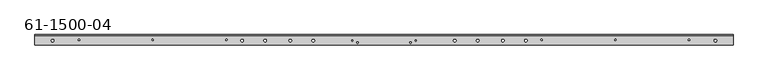
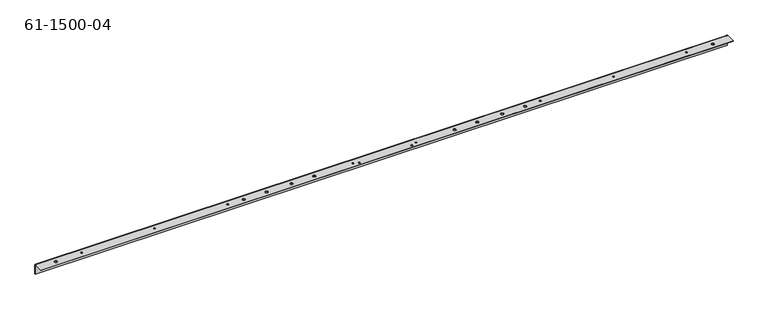
"""IFC4 building model written with IfcOpenShell, lengths in millimetres: proxy geometry, 61-1500-04."""

import ifcopenshell
import ifcopenshell.guid

model = None  # the IFC model being written
_history = None  # IfcOwnerHistory: only IFC2X3 demands one
_inside = {}  # id of a spatial element -> (the spatial element, [elements in it])
_under = {}  # id of a project, library or spatial element -> (it, [spatial elements below it])
_declared = {}  # id of a project -> (the project, [libraries it declares])
_typed = {}  # id of a type object -> (the type object, [elements of that type])
_made_of = {}  # id of a material, layer set ... -> (it, [elements and type objects made of it])


def new_model(schema):
    """Start an empty IFC model of exactly this schema.

    Asked for "IFC4X3", IfcOpenShell would pick the latest addendum, in which some entities
    have other attributes; the version numbers below select the first issue.
    IFC2X3 requires an IfcOwnerHistory on every rooted entity: one is made here for all.
    """
    global model, _history
    if schema == "IFC4X3":
        model = ifcopenshell.file(schema_version=(4, 3, 0, 0))
    else:
        model = ifcopenshell.file(schema=schema)
    _inside.clear()
    _under.clear()
    _declared.clear()
    _typed.clear()
    _made_of.clear()
    _history = None
    if model.schema == "IFC2X3":
        org = make("IfcOrganization", Name="unknown")
        user = make(
            "IfcPersonAndOrganization",
            ThePerson=make("IfcPerson", FamilyName="unknown"),
            TheOrganization=org,
        )
        app = make(
            "IfcApplication",
            ApplicationDeveloper=org,
            Version="unknown",
            ApplicationFullName="unknown",
            ApplicationIdentifier="unknown",
        )
        _history = make(
            "IfcOwnerHistory",
            OwningUser=user,
            OwningApplication=app,
            ChangeAction="ADDED",
            CreationDate=0,
        )
    return model


def make(cls, **values):
    """One entity of the class cls with the attributes given. An attribute that is None is left unset."""
    return model.create_entity(
        cls, **{name: value for name, value in values.items() if value is not None}
    )


def rooted(cls, **values):
    """An entity with a GlobalId (a new one), such as an element, a storey or a relation."""
    return make(cls, GlobalId=ifcopenshell.guid.new(), OwnerHistory=_history, **values)


def si_unit(unit_type, name, prefix=None):
    """IfcSIUnit, for example si_unit("LENGTHUNIT", "METRE", prefix="MILLI")."""
    return make("IfcSIUnit", UnitType=unit_type, Prefix=prefix, Name=name)


def assignment(units):
    """IfcUnitAssignment: the units of a project."""
    return None if units is None else make("IfcUnitAssignment", Units=units)


def point(xyz):
    """IfcCartesianPoint."""
    return None if xyz is None else make("IfcCartesianPoint", Coordinates=xyz)


def direction(xyz):
    """IfcDirection."""
    return None if xyz is None else make("IfcDirection", DirectionRatios=xyz)


def frame(location, z_axis=None, x_axis=None):
    """IfcAxis2Placement3D, a coordinate frame: its origin and axes. An axis left out is left unset."""
    return make(
        "IfcAxis2Placement3D",
        Location=point(location),
        Axis=direction(z_axis),
        RefDirection=direction(x_axis),
    )


def origin():
    """The frame at (0, 0, 0) with its axes left unset."""
    return frame((0.0, 0.0, 0.0))


def place(relative_to, where):
    """IfcLocalPlacement: puts the frame where relative to a parent placement (None: the world)."""
    return make(
        "IfcLocalPlacement", PlacementRelTo=relative_to, RelativePlacement=where
    )


def context(
    kind, dimensions, precision=None, world=None, true_north=None, identifier=None
):
    """IfcGeometricRepresentationContext, for example the 3D "Model" context."""
    return make(
        "IfcGeometricRepresentationContext",
        ContextIdentifier=identifier,
        ContextType=kind,
        CoordinateSpaceDimension=dimensions,
        Precision=precision,
        WorldCoordinateSystem=world,
        TrueNorth=true_north,
    )


def project(units=None, contexts=None):
    """IfcProject with its units and contexts."""
    return rooted(
        "IfcProject",
        Name="project",
        RepresentationContexts=contexts,
        UnitsInContext=assignment(units),
    )


def spatial(cls, under=None, at=None, **own):
    """A site, building, storey or space (cls), placed at a placement, below another one or the project."""
    s = rooted(cls, ObjectPlacement=at, **own)
    if under is not None:
        _under.setdefault(under.id(), (under, []))[1].append(s)
    return s


def polyline(points):
    """IfcPolyline through the points."""
    return make("IfcPolyline", Points=[point(p) for p in points])


def circle_curve(where, radius):
    """IfcCircle in the frame where."""
    return make("IfcCircle", Position=where, Radius=radius)


def shape(context_of_items, identifier, shape_type, items):
    """IfcShapeRepresentation: the items that make up one representation, for example the "Body"."""
    return make(
        "IfcShapeRepresentation",
        ContextOfItems=context_of_items,
        RepresentationIdentifier=identifier,
        RepresentationType=shape_type,
        Items=items,
    )


def source(mapping_origin, context_of_items, identifier, shape_type, items):
    """IfcRepresentationMap: a shape defined once, which mapped items show again and again."""
    return make(
        "IfcRepresentationMap",
        MappingOrigin=mapping_origin,
        MappedRepresentation=shape(context_of_items, identifier, shape_type, items),
    )


def transform(
    local_origin,
    x_axis=None,
    y_axis=None,
    z_axis=None,
    scale=None,
    scale2=None,
    scale3=None,
    uniform=True,
):
    """IfcCartesianTransformationOperator3D, or its non-uniform kind. x_axis, y_axis, z_axis: its Axis1, 2, 3."""
    if uniform:
        return make(
            "IfcCartesianTransformationOperator3D",
            Axis1=direction(x_axis),
            Axis2=direction(y_axis),
            LocalOrigin=point(local_origin),
            Scale=scale,
            Axis3=direction(z_axis),
        )
    return make(
        "IfcCartesianTransformationOperator3DnonUniform",
        Axis1=direction(x_axis),
        Axis2=direction(y_axis),
        LocalOrigin=point(local_origin),
        Scale=scale,
        Axis3=direction(z_axis),
        Scale2=scale2,
        Scale3=scale3,
    )


def mapped(mapping_source, mapping_target):
    """IfcMappedItem: shows the shape of a source again, moved by a transform."""
    return make(
        "IfcMappedItem", MappingSource=mapping_source, MappingTarget=mapping_target
    )


def made_of(thing, what):
    """Note that an element or type object is made of a material, layer set ...; save() writes the relation."""
    if what is not None:
        _made_of.setdefault(what.id(), (what, []))[1].append(thing)
    return thing


def element(
    cls,
    number,
    at=None,
    inside=None,
    cuts=None,
    type_object=None,
    material=None,
    context=None,
    identifier="Body",
    shape_type=None,
    held_by="IfcProductDefinitionShape",
    body=None,
    shapes=None,
    **own,
):
    """One element of the class cls, such as IfcWall. Its Tag is "e" and its number.

    at: its placement. inside: the storey or other place that contains it. cuts: it is an
    opening in that element (IfcRelVoidsElement). A single representation is given by context,
    identifier, shape_type and body (its items); several are given by shapes. held_by: the class
    of the entity that holds the representations. save() writes the other relations.
    """
    e = rooted(cls, Tag="e%d" % number, ObjectPlacement=at, **own)
    if body is not None:
        shapes = [shape(context, identifier, shape_type, body)]
    if shapes is not None:
        e.Representation = make(held_by, Representations=shapes)
    if inside is not None:
        _inside.setdefault(inside.id(), (inside, []))[1].append(e)
    if cuts is not None:
        rooted(
            "IfcRelVoidsElement", RelatingBuildingElement=cuts, RelatedOpeningElement=e
        )
    if type_object is not None:
        _typed.setdefault(type_object.id(), (type_object, []))[1].append(e)
    return made_of(e, material)


def aggregate(whole, parts):
    """IfcRelAggregates: a whole, such as a stair, and the parts it consists of."""
    return rooted("IfcRelAggregates", RelatingObject=whole, RelatedObjects=parts)


def save(model, path):
    """Write the relations noted so far, then the file.

    IfcRelAggregates (storeys below a building ...), IfcRelContainedInSpatialStructure (elements
    in a storey), IfcRelDefinesByType, IfcRelAssociatesMaterial and IfcRelDeclares: one each for
    every whole, place, type object, material and project.
    """
    for whole, parts in _under.values():
        aggregate(whole, parts)
    for where, things in _inside.values():
        rooted(
            "IfcRelContainedInSpatialStructure",
            RelatedElements=things,
            RelatingStructure=where,
        )
    for kind, things in _typed.values():
        rooted("IfcRelDefinesByType", RelatedObjects=things, RelatingType=kind)
    for what, things in _made_of.values():
        rooted("IfcRelAssociatesMaterial", RelatedObjects=things, RelatingMaterial=what)
    for by, libraries in _declared.values():
        rooted("IfcRelDeclares", RelatingContext=by, RelatedDefinitions=libraries)
    model.write(path)


def plane_surface(at):
    """IfcPlane: the flat surface through the origin of the frame at, square to its z axis."""
    return make("IfcPlane", Position=at)


def cylinder_surface(at, radius):
    """IfcCylindricalSurface: all points at the distance radius from the z axis of the frame at."""
    return make("IfcCylindricalSurface", Position=at, Radius=radius)


def revolved_surface(curve, axis_point, axis_direction):
    """IfcSurfaceOfRevolution: the curve turned about the line through axis_point along axis_direction."""
    return make(
        "IfcSurfaceOfRevolution",
        SweptCurve=make("IfcArbitraryOpenProfileDef", ProfileType="CURVE", Curve=curve),
        AxisPosition=make("IfcAxis1Placement", Location=point(axis_point), Axis=direction(axis_direction)),
    )


def advanced_brep(points, edges, surfaces, faces):
    """IfcAdvancedBrep: a solid bounded by faces that lie on surfaces and meet in shared edges.

    An edge is (start, end): straight between two places in points (the first is 0);
    or (start, end, curve); or (start, end, curve, False) where it runs against its curve.
    A face is (place in surfaces, loops), or (place, loops, False) where it looks against
    its surface's normal. A loop lists edges by number (the first is 1), with a minus sign
    where the edge is run from its end to its start. The first loop is the outer one.
    """
    corners = [point(p) for p in points]
    vertices = [make("IfcVertexPoint", VertexGeometry=c) for c in corners]
    made = []
    for start, end, *more in edges:
        made.append(
            make(
                "IfcEdgeCurve",
                EdgeStart=vertices[start],
                EdgeEnd=vertices[end],
                EdgeGeometry=more[0] if more else make("IfcPolyline", Points=[corners[start], corners[end]]),
                SameSense=more[1] if len(more) > 1 else True,
            )
        )
    hull = []
    for where, loops, *sense in faces:
        bounds = []
        for j, loop in enumerate(loops):
            ring = [make("IfcOrientedEdge", EdgeElement=made[abs(k) - 1], Orientation=k > 0) for k in loop]
            bounds.append(
                make(
                    "IfcFaceOuterBound" if j == 0 else "IfcFaceBound",
                    Bound=make("IfcEdgeLoop", EdgeList=ring),
                    Orientation=True,
                )
            )
        hull.append(make("IfcAdvancedFace", Bounds=bounds, FaceSurface=surfaces[where], SameSense=sense[0] if sense else True))
    return make("IfcAdvancedBrep", Outer=make("IfcClosedShell", CfsFaces=hull))


def proxy_61_1500_04_b52d226b(model_context):
    return source(origin(), model_context, "Body", "AdvancedBrep", [
        advanced_brep(
        [(298.0674392, 36.3599542, 1.00584), (298.0674392, 36.3599542, 0.0), (304.4174392, 36.3599542, 0.0), (304.4174392, 36.3599542, 1.00584), (810.7105592, 36.3599542, 1.00584), (810.7105592, 36.3599542, 0.0), (817.0605592, 36.3599542, 0.0), (817.0605592, 36.3599542, 1.00584), (866.1536792, 36.3599542, 1.00584), (866.1536792, 36.3599542, 0.0), (872.5036792, 36.3599542, 0.0), (872.5036792, 36.3599542, 1.00584), (353.5105592, 36.3599542, 1.00584), (353.5105592, 36.3599542, 0.0), (359.8605592, 36.3599542, 0.0), (359.8605592, 36.3599542, 1.00584), (182.0199192, 36.3599542, 1.00584), (182.0199192, 36.3599542, 0.0), (188.3699192, 36.3599542, 0.0), (188.3699192, 36.3599542, 1.00584), (694.6630392, 36.3599542, 1.00584), (694.6630392, 36.3599542, 0.0), (701.0130392, 36.3599542, 0.0), (701.0130392, 36.3599542, 1.00584), (750.1061592, 36.3599542, 1.00584), (750.1061592, 36.3599542, 0.0), (756.4561592, 36.3599542, 0.0), (756.4561592, 36.3599542, 1.00584), (237.4630392, 36.3599542, 1.00584), (237.4630392, 36.3599542, 0.0), (243.8130392, 36.3599542, 0.0), (243.8130392, 36.3599542, 1.00584), (-275.1800808, 36.3599542, 1.00584), (-275.1800808, 36.3599542, 0.0), (-268.8300808, 36.3599542, 0.0), (-268.8300808, 36.3599542, 1.00584), (1323.3536792, 36.3599542, 1.00584), (1323.3536792, 36.3599542, 0.0), (1329.7036792, 36.3599542, 0.0), (1329.7036792, 36.3599542, 1.00584), (461.6002592, 31.7168342, 1.00584), (461.6002592, 31.7168342, 0.0), (465.0292592, 31.7168342, 0.0), (465.0292592, 31.7168342, 1.00584), (448.9002592, 36.3599542, 1.00584), (448.9002592, 36.3599542, 0.0), (452.3292592, 36.3599542, 0.0), (452.3292592, 36.3599542, 1.00584), (589.4943392, 31.7168342, 1.00584), (589.4943392, 31.7168342, 0.0), (592.9233392, 31.7168342, 0.0), (592.9233392, 31.7168342, 1.00584), (602.1943392, 36.3599542, 1.00584), (602.1943392, 36.3599542, 0.0), (605.6233392, 36.3599542, 0.0), (605.6233392, 36.3599542, 1.00584), (1290.9762992, 49.7609942, -11.69416), (1290.9762992, 50.7668342, -11.69416), (1287.5472992, 50.7668342, -11.69416), (1287.5472992, 49.7609942, -11.69416), (986.1762992, 49.7609942, -11.69416), (986.1762992, 50.7668342, -11.69416), (982.7472992, 50.7668342, -11.69416), (982.7472992, 49.7609942, -11.69416), (681.3762992, 49.7609942, -11.69416), (681.3762992, 50.7668342, -11.69416), (677.9472992, 50.7668342, -11.69416), (677.9472992, 49.7609942, -11.69416), (-80.6237008, 49.7609942, -11.69416), (-80.6237008, 50.7668342, -11.69416), (-84.0527008, 50.7668342, -11.69416), (-84.0527008, 49.7609942, -11.69416), (224.1762992, 49.7609942, -11.69416), (224.1762992, 50.7668342, -11.69416), (220.7472992, 50.7668342, -11.69416), (220.7472992, 49.7609942, -11.69416), (528.9762992, 49.7609942, -11.69416), (528.9762992, 50.7668342, -11.69416), (525.5472992, 50.7668342, -11.69416), (525.5472992, 49.7609942, -11.69416), (376.5762992, 49.7609942, -11.69416), (376.5762992, 50.7668342, -11.69416), (373.1472992, 50.7668342, -11.69416), (373.1472992, 49.7609942, -11.69416), (71.7762992, 49.7609942, -11.69416), (71.7762992, 50.7668342, -11.69416), (68.3472992, 50.7668342, -11.69416), (68.3472992, 49.7609942, -11.69416), (-233.0237008, 49.7609942, -11.69416), (-233.0237008, 50.7668342, -11.69416), (-236.4527008, 50.7668342, -11.69416), (-236.4527008, 49.7609942, -11.69416), (833.7762992, 49.7609942, -11.69416), (833.7762992, 50.7668342, -11.69416), (830.3472992, 50.7668342, -11.69416), (830.3472992, 49.7609942, -11.69416), (1138.5762992, 49.7609942, -11.69416), (1138.5762992, 50.7668342, -11.69416), (1135.1472992, 50.7668342, -11.69416), (1135.1472992, 49.7609942, -11.69416), (905.7141792, 38.0668342, 1.00584), (905.7141792, 38.0668342, 0.0), (909.1431792, 38.0668342, 0.0), (909.1431792, 38.0668342, 1.00584), (1261.3141792, 38.0668342, 1.00584), (1261.3141792, 38.0668342, 0.0), (1264.7431792, 38.0668342, 0.0), (1264.7431792, 38.0668342, 1.00584), (-32.4195808, 38.0668342, 1.00584), (-32.4195808, 38.0668342, 0.0), (-28.9905808, 38.0668342, 0.0), (-28.9905808, 38.0668342, 1.00584), (145.3804192, 38.0668342, 1.00584), (145.3804192, 38.0668342, 0.0), (148.8094192, 38.0668342, 0.0), (148.8094192, 38.0668342, 1.00584), (-210.2195808, 38.0668342, 1.00584), (-210.2195808, 38.0668342, 0.0), (-206.7905808, 38.0668342, 0.0), (-206.7905808, 38.0668342, 1.00584), (1083.5141792, 38.0668342, 1.00584), (1083.5141792, 38.0668342, 0.0), (1086.9431792, 38.0668342, 0.0), (1086.9431792, 38.0668342, 1.00584), (1369.2717992, 50.7668342, -1.00584), (-314.7482008, 50.7668342, -1.00584), (-314.7482008, 48.7551542, 1.00584), (1369.2717992, 48.7551542, 1.00584), (-314.7482008, 49.7609942, -1.00584), (1369.2717992, 49.7609942, -1.00584), (1369.2717992, 48.7551542, 0.0), (-314.7482008, 48.7551542, 0.0), (-314.7482008, 25.3668342, 1.00584), (1369.2717992, 25.3668342, 1.00584), (-314.7482008, 25.3668342, 0.0), (1369.2717992, 25.3668342, 0.0), (-314.7482008, 50.7668342, -24.39416), (-314.7482008, 49.7609942, -24.39416), (1369.2717992, 50.7668342, -24.39416), (1369.2717992, 49.7609942, -24.39416)],
        [
            (0, 1),
            (1, 2, circle_curve(frame((301.2424392, 36.3599542, 0.0), z_axis=(0.0, 0.0, -1.0), x_axis=(-1.0, 0.0, 0.0)), 3.175)),
            (2, 3),
            (3, 0, circle_curve(frame((301.2424392, 36.3599542, 1.00584), z_axis=(0.0, 0.0, 1.0), x_axis=(-1.0, 0.0, 0.0)), 3.175)),
            (4, 5),
            (5, 6, circle_curve(frame((813.8855592, 36.3599542, 0.0), z_axis=(0.0, 0.0, -1.0), x_axis=(-1.0, 0.0, 0.0)), 3.175)),
            (6, 7),
            (7, 4, circle_curve(frame((813.8855592, 36.3599542, 1.00584), z_axis=(0.0, 0.0, 1.0), x_axis=(-1.0, 0.0, 0.0)), 3.175)),
            (8, 9),
            (9, 10, circle_curve(frame((869.3286792, 36.3599542, 0.0), z_axis=(0.0, 0.0, -1.0), x_axis=(-1.0, 0.0, 0.0)), 3.175)),
            (10, 11),
            (11, 8, circle_curve(frame((869.3286792, 36.3599542, 1.00584), z_axis=(0.0, 0.0, 1.0), x_axis=(-1.0, 0.0, 0.0)), 3.175)),
            (12, 13),
            (13, 14, circle_curve(frame((356.6855592, 36.3599542, 0.0), z_axis=(0.0, 0.0, -1.0), x_axis=(-1.0, 0.0, 0.0)), 3.175)),
            (14, 15),
            (15, 12, circle_curve(frame((356.6855592, 36.3599542, 1.00584), z_axis=(0.0, 0.0, 1.0), x_axis=(-1.0, 0.0, 0.0)), 3.175)),
            (16, 17),
            (17, 18, circle_curve(frame((185.1949192, 36.3599542, 0.0), z_axis=(0.0, 0.0, -1.0), x_axis=(-1.0, 0.0, 0.0)), 3.175)),
            (18, 19),
            (19, 16, circle_curve(frame((185.1949192, 36.3599542, 1.00584), z_axis=(0.0, 0.0, 1.0), x_axis=(-1.0, 0.0, 0.0)), 3.175)),
            (20, 21),
            (21, 22, circle_curve(frame((697.8380392, 36.3599542, 0.0), z_axis=(0.0, 0.0, -1.0), x_axis=(-1.0, 0.0, 0.0)), 3.175)),
            (22, 23),
            (23, 20, circle_curve(frame((697.8380392, 36.3599542, 1.00584), z_axis=(0.0, 0.0, 1.0), x_axis=(-1.0, 0.0, 0.0)), 3.175)),
            (24, 25),
            (25, 26, circle_curve(frame((753.2811592, 36.3599542, 0.0), z_axis=(0.0, 0.0, -1.0), x_axis=(-1.0, 0.0, 0.0)), 3.175)),
            (26, 27),
            (27, 24, circle_curve(frame((753.2811592, 36.3599542, 1.00584), z_axis=(0.0, 0.0, 1.0), x_axis=(-1.0, 0.0, 0.0)), 3.175)),
            (28, 29),
            (29, 30, circle_curve(frame((240.6380392, 36.3599542, 0.0), z_axis=(0.0, 0.0, -1.0), x_axis=(-1.0, 0.0, 0.0)), 3.175)),
            (30, 31),
            (31, 28, circle_curve(frame((240.6380392, 36.3599542, 1.00584), z_axis=(0.0, 0.0, 1.0), x_axis=(-1.0, 0.0, 0.0)), 3.175)),
            (32, 33),
            (33, 34, circle_curve(frame((-272.0050808, 36.3599542, 0.0), z_axis=(0.0, 0.0, -1.0), x_axis=(-1.0, 0.0, 0.0)), 3.175)),
            (34, 35),
            (35, 32, circle_curve(frame((-272.0050808, 36.3599542, 1.00584), z_axis=(0.0, 0.0, 1.0), x_axis=(-1.0, 0.0, 0.0)), 3.175)),
            (36, 37),
            (37, 38, circle_curve(frame((1326.5286792, 36.3599542, 0.0), z_axis=(0.0, 0.0, -1.0), x_axis=(-1.0, 0.0, 0.0)), 3.175)),
            (38, 39),
            (39, 36, circle_curve(frame((1326.5286792, 36.3599542, 1.00584), z_axis=(0.0, 0.0, 1.0), x_axis=(-1.0, 0.0, 0.0)), 3.175)),
            (40, 41),
            (41, 42, circle_curve(frame((463.3147592, 31.7168342, 0.0), z_axis=(0.0, 0.0, -1.0), x_axis=(-1.0, 0.0, 0.0)), 1.7145)),
            (42, 43),
            (43, 40, circle_curve(frame((463.3147592, 31.7168342, 1.00584), z_axis=(0.0, 0.0, 1.0), x_axis=(-1.0, 0.0, 0.0)), 1.7145)),
            (44, 45),
            (45, 46, circle_curve(frame((450.6147592, 36.3599542, 0.0), z_axis=(0.0, 0.0, -1.0), x_axis=(-1.0, 0.0, 0.0)), 1.7145)),
            (46, 47),
            (47, 44, circle_curve(frame((450.6147592, 36.3599542, 1.00584), z_axis=(0.0, 0.0, 1.0), x_axis=(-1.0, 0.0, 0.0)), 1.7145)),
            (48, 49),
            (49, 50, circle_curve(frame((591.2088392, 31.7168342, 0.0), z_axis=(0.0, 0.0, -1.0), x_axis=(-1.0, 0.0, 0.0)), 1.7145)),
            (50, 51),
            (51, 48, circle_curve(frame((591.2088392, 31.7168342, 1.00584), z_axis=(0.0, 0.0, 1.0), x_axis=(-1.0, 0.0, 0.0)), 1.7145)),
            (52, 53),
            (53, 54, circle_curve(frame((603.9088392, 36.3599542, 0.0), z_axis=(0.0, 0.0, -1.0), x_axis=(-1.0, 0.0, 0.0)), 1.7145)),
            (54, 55),
            (55, 52, circle_curve(frame((603.9088392, 36.3599542, 1.00584), z_axis=(0.0, 0.0, 1.0), x_axis=(-1.0, 0.0, 0.0)), 1.7145)),
            (56, 57),
            (57, 58, circle_curve(frame((1289.2617992, 50.7668342, -11.69416), z_axis=(0.0, 1.0, 0.0), x_axis=(1.0, 0.0, 0.0)), 1.7145)),
            (58, 59),
            (59, 56, circle_curve(frame((1289.2617992, 49.7609942, -11.69416), z_axis=(0.0, -1.0, 0.0), x_axis=(1.0, 0.0, 0.0)), 1.7145)),
            (60, 61),
            (61, 62, circle_curve(frame((984.4617992, 50.7668342, -11.69416), z_axis=(0.0, 1.0, 0.0), x_axis=(1.0, 0.0, 0.0)), 1.7145)),
            (62, 63),
            (63, 60, circle_curve(frame((984.4617992, 49.7609942, -11.69416), z_axis=(0.0, -1.0, 0.0), x_axis=(1.0, 0.0, 0.0)), 1.7145)),
            (64, 65),
            (65, 66, circle_curve(frame((679.6617992, 50.7668342, -11.69416), z_axis=(0.0, 1.0, 0.0), x_axis=(1.0, 0.0, 0.0)), 1.7145)),
            (66, 67),
            (67, 64, circle_curve(frame((679.6617992, 49.7609942, -11.69416), z_axis=(0.0, -1.0, 0.0), x_axis=(1.0, 0.0, 0.0)), 1.7145)),
            (68, 69),
            (69, 70, circle_curve(frame((-82.3382008, 50.7668342, -11.69416), z_axis=(0.0, 1.0, 0.0), x_axis=(1.0, 0.0, 0.0)), 1.7145)),
            (70, 71),
            (71, 68, circle_curve(frame((-82.3382008, 49.7609942, -11.69416), z_axis=(0.0, -1.0, 0.0), x_axis=(1.0, 0.0, 0.0)), 1.7145)),
            (72, 73),
            (73, 74, circle_curve(frame((222.4617992, 50.7668342, -11.69416), z_axis=(0.0, 1.0, 0.0), x_axis=(1.0, 0.0, 0.0)), 1.7145)),
            (74, 75),
            (75, 72, circle_curve(frame((222.4617992, 49.7609942, -11.69416), z_axis=(0.0, -1.0, 0.0), x_axis=(1.0, 0.0, 0.0)), 1.7145)),
            (76, 77),
            (77, 78, circle_curve(frame((527.2617992, 50.7668342, -11.69416), z_axis=(0.0, 1.0, 0.0), x_axis=(1.0, 0.0, 0.0)), 1.7145)),
            (78, 79),
            (79, 76, circle_curve(frame((527.2617992, 49.7609942, -11.69416), z_axis=(0.0, -1.0, 0.0), x_axis=(1.0, 0.0, 0.0)), 1.7145)),
            (80, 81),
            (81, 82, circle_curve(frame((374.8617992, 50.7668342, -11.69416), z_axis=(0.0, 1.0, 0.0), x_axis=(1.0, 0.0, 0.0)), 1.7145)),
            (82, 83),
            (83, 80, circle_curve(frame((374.8617992, 49.7609942, -11.69416), z_axis=(0.0, -1.0, 0.0), x_axis=(1.0, 0.0, 0.0)), 1.7145)),
            (84, 85),
            (85, 86, circle_curve(frame((70.0617992, 50.7668342, -11.69416), z_axis=(0.0, 1.0, 0.0), x_axis=(1.0, 0.0, 0.0)), 1.7145)),
            (86, 87),
            (87, 84, circle_curve(frame((70.0617992, 49.7609942, -11.69416), z_axis=(0.0, -1.0, 0.0), x_axis=(1.0, 0.0, 0.0)), 1.7145)),
            (88, 89),
            (89, 90, circle_curve(frame((-234.7382008, 50.7668342, -11.69416), z_axis=(0.0, 1.0, 0.0), x_axis=(1.0, 0.0, 0.0)), 1.7145)),
            (90, 91),
            (91, 88, circle_curve(frame((-234.7382008, 49.7609942, -11.69416), z_axis=(0.0, -1.0, 0.0), x_axis=(1.0, 0.0, 0.0)), 1.7145)),
            (92, 93),
            (93, 94, circle_curve(frame((832.0617992, 50.7668342, -11.69416), z_axis=(0.0, 1.0, 0.0), x_axis=(1.0, 0.0, 0.0)), 1.7145)),
            (94, 95),
            (95, 92, circle_curve(frame((832.0617992, 49.7609942, -11.69416), z_axis=(0.0, -1.0, 0.0), x_axis=(1.0, 0.0, 0.0)), 1.7145)),
            (96, 97),
            (97, 98, circle_curve(frame((1136.8617992, 50.7668342, -11.69416), z_axis=(0.0, 1.0, 0.0), x_axis=(1.0, 0.0, 0.0)), 1.7145)),
            (98, 99),
            (99, 96, circle_curve(frame((1136.8617992, 49.7609942, -11.69416), z_axis=(0.0, -1.0, 0.0), x_axis=(1.0, 0.0, 0.0)), 1.7145)),
            (100, 101),
            (101, 102, circle_curve(frame((907.4286792, 38.0668342, 0.0), z_axis=(0.0, 0.0, -1.0), x_axis=(-1.0, 0.0, 0.0)), 1.7145)),
            (102, 103),
            (103, 100, circle_curve(frame((907.4286792, 38.0668342, 1.00584), z_axis=(0.0, 0.0, 1.0), x_axis=(-1.0, 0.0, 0.0)), 1.7145)),
            (104, 105),
            (105, 106, circle_curve(frame((1263.0286792, 38.0668342, 0.0), z_axis=(0.0, 0.0, -1.0), x_axis=(-1.0, 0.0, 0.0)), 1.7145)),
            (106, 107),
            (107, 104, circle_curve(frame((1263.0286792, 38.0668342, 1.00584), z_axis=(0.0, 0.0, 1.0), x_axis=(-1.0, 0.0, 0.0)), 1.7145)),
            (108, 109),
            (109, 110, circle_curve(frame((-30.7050808, 38.0668342, 0.0), z_axis=(0.0, 0.0, -1.0), x_axis=(-1.0, 0.0, 0.0)), 1.7145)),
            (110, 111),
            (111, 108, circle_curve(frame((-30.7050808, 38.0668342, 1.00584), z_axis=(0.0, 0.0, 1.0), x_axis=(-1.0, 0.0, 0.0)), 1.7145)),
            (112, 113),
            (113, 114, circle_curve(frame((147.0949192, 38.0668342, 0.0), z_axis=(0.0, 0.0, -1.0), x_axis=(-1.0, 0.0, 0.0)), 1.7145)),
            (114, 115),
            (115, 112, circle_curve(frame((147.0949192, 38.0668342, 1.00584), z_axis=(0.0, 0.0, 1.0), x_axis=(-1.0, 0.0, 0.0)), 1.7145)),
            (116, 117),
            (117, 118, circle_curve(frame((-208.5050808, 38.0668342, 0.0), z_axis=(0.0, 0.0, -1.0), x_axis=(-1.0, 0.0, 0.0)), 1.7145)),
            (118, 119),
            (119, 116, circle_curve(frame((-208.5050808, 38.0668342, 1.00584), z_axis=(0.0, 0.0, 1.0), x_axis=(-1.0, 0.0, 0.0)), 1.7145)),
            (120, 121),
            (121, 122, circle_curve(frame((1085.2286792, 38.0668342, 0.0), z_axis=(0.0, 0.0, -1.0), x_axis=(-1.0, 0.0, 0.0)), 1.7145)),
            (122, 123),
            (123, 120, circle_curve(frame((1085.2286792, 38.0668342, 1.00584), z_axis=(0.0, 0.0, 1.0), x_axis=(-1.0, 0.0, 0.0)), 1.7145)),
            (120, 123, circle_curve(frame((1085.2286792, 38.0668342, 1.00584), z_axis=(0.0, 0.0, 1.0), x_axis=(-1.0, 0.0, 0.0)), 1.7145)),
            (122, 121, circle_curve(frame((1085.2286792, 38.0668342, 0.0), z_axis=(0.0, 0.0, -1.0), x_axis=(-1.0, 0.0, 0.0)), 1.7145)),
            (116, 119, circle_curve(frame((-208.5050808, 38.0668342, 1.00584), z_axis=(0.0, 0.0, 1.0), x_axis=(-1.0, 0.0, 0.0)), 1.7145)),
            (118, 117, circle_curve(frame((-208.5050808, 38.0668342, 0.0), z_axis=(0.0, 0.0, -1.0), x_axis=(-1.0, 0.0, 0.0)), 1.7145)),
            (112, 115, circle_curve(frame((147.0949192, 38.0668342, 1.00584), z_axis=(0.0, 0.0, 1.0), x_axis=(-1.0, 0.0, 0.0)), 1.7145)),
            (114, 113, circle_curve(frame((147.0949192, 38.0668342, 0.0), z_axis=(0.0, 0.0, -1.0), x_axis=(-1.0, 0.0, 0.0)), 1.7145)),
            (108, 111, circle_curve(frame((-30.7050808, 38.0668342, 1.00584), z_axis=(0.0, 0.0, 1.0), x_axis=(-1.0, 0.0, 0.0)), 1.7145)),
            (110, 109, circle_curve(frame((-30.7050808, 38.0668342, 0.0), z_axis=(0.0, 0.0, -1.0), x_axis=(-1.0, 0.0, 0.0)), 1.7145)),
            (104, 107, circle_curve(frame((1263.0286792, 38.0668342, 1.00584), z_axis=(0.0, 0.0, 1.0), x_axis=(-1.0, 0.0, 0.0)), 1.7145)),
            (106, 105, circle_curve(frame((1263.0286792, 38.0668342, 0.0), z_axis=(0.0, 0.0, -1.0), x_axis=(-1.0, 0.0, 0.0)), 1.7145)),
            (100, 103, circle_curve(frame((907.4286792, 38.0668342, 1.00584), z_axis=(0.0, 0.0, 1.0), x_axis=(-1.0, 0.0, 0.0)), 1.7145)),
            (102, 101, circle_curve(frame((907.4286792, 38.0668342, 0.0), z_axis=(0.0, 0.0, -1.0), x_axis=(-1.0, 0.0, 0.0)), 1.7145)),
            (96, 99, circle_curve(frame((1136.8617992, 49.7609942, -11.69416), z_axis=(0.0, -1.0, 0.0), x_axis=(1.0, 0.0, 0.0)), 1.7145)),
            (98, 97, circle_curve(frame((1136.8617992, 50.7668342, -11.69416), z_axis=(0.0, 1.0, 0.0), x_axis=(1.0, 0.0, 0.0)), 1.7145)),
            (92, 95, circle_curve(frame((832.0617992, 49.7609942, -11.69416), z_axis=(0.0, -1.0, 0.0), x_axis=(1.0, 0.0, 0.0)), 1.7145)),
            (94, 93, circle_curve(frame((832.0617992, 50.7668342, -11.69416), z_axis=(0.0, 1.0, 0.0), x_axis=(1.0, 0.0, 0.0)), 1.7145)),
            (88, 91, circle_curve(frame((-234.7382008, 49.7609942, -11.69416), z_axis=(0.0, -1.0, 0.0), x_axis=(1.0, 0.0, 0.0)), 1.7145)),
            (90, 89, circle_curve(frame((-234.7382008, 50.7668342, -11.69416), z_axis=(0.0, 1.0, 0.0), x_axis=(1.0, 0.0, 0.0)), 1.7145)),
            (84, 87, circle_curve(frame((70.0617992, 49.7609942, -11.69416), z_axis=(0.0, -1.0, 0.0), x_axis=(1.0, 0.0, 0.0)), 1.7145)),
            (86, 85, circle_curve(frame((70.0617992, 50.7668342, -11.69416), z_axis=(0.0, 1.0, 0.0), x_axis=(1.0, 0.0, 0.0)), 1.7145)),
            (80, 83, circle_curve(frame((374.8617992, 49.7609942, -11.69416), z_axis=(0.0, -1.0, 0.0), x_axis=(1.0, 0.0, 0.0)), 1.7145)),
            (82, 81, circle_curve(frame((374.8617992, 50.7668342, -11.69416), z_axis=(0.0, 1.0, 0.0), x_axis=(1.0, 0.0, 0.0)), 1.7145)),
            (76, 79, circle_curve(frame((527.2617992, 49.7609942, -11.69416), z_axis=(0.0, -1.0, 0.0), x_axis=(1.0, 0.0, 0.0)), 1.7145)),
            (78, 77, circle_curve(frame((527.2617992, 50.7668342, -11.69416), z_axis=(0.0, 1.0, 0.0), x_axis=(1.0, 0.0, 0.0)), 1.7145)),
            (72, 75, circle_curve(frame((222.4617992, 49.7609942, -11.69416), z_axis=(0.0, -1.0, 0.0), x_axis=(1.0, 0.0, 0.0)), 1.7145)),
            (74, 73, circle_curve(frame((222.4617992, 50.7668342, -11.69416), z_axis=(0.0, 1.0, 0.0), x_axis=(1.0, 0.0, 0.0)), 1.7145)),
            (68, 71, circle_curve(frame((-82.3382008, 49.7609942, -11.69416), z_axis=(0.0, -1.0, 0.0), x_axis=(1.0, 0.0, 0.0)), 1.7145)),
            (70, 69, circle_curve(frame((-82.3382008, 50.7668342, -11.69416), z_axis=(0.0, 1.0, 0.0), x_axis=(1.0, 0.0, 0.0)), 1.7145)),
            (64, 67, circle_curve(frame((679.6617992, 49.7609942, -11.69416), z_axis=(0.0, -1.0, 0.0), x_axis=(1.0, 0.0, 0.0)), 1.7145)),
            (66, 65, circle_curve(frame((679.6617992, 50.7668342, -11.69416), z_axis=(0.0, 1.0, 0.0), x_axis=(1.0, 0.0, 0.0)), 1.7145)),
            (60, 63, circle_curve(frame((984.4617992, 49.7609942, -11.69416), z_axis=(0.0, -1.0, 0.0), x_axis=(1.0, 0.0, 0.0)), 1.7145)),
            (62, 61, circle_curve(frame((984.4617992, 50.7668342, -11.69416), z_axis=(0.0, 1.0, 0.0), x_axis=(1.0, 0.0, 0.0)), 1.7145)),
            (56, 59, circle_curve(frame((1289.2617992, 49.7609942, -11.69416), z_axis=(0.0, -1.0, 0.0), x_axis=(1.0, 0.0, 0.0)), 1.7145)),
            (58, 57, circle_curve(frame((1289.2617992, 50.7668342, -11.69416), z_axis=(0.0, 1.0, 0.0), x_axis=(1.0, 0.0, 0.0)), 1.7145)),
            (52, 55, circle_curve(frame((603.9088392, 36.3599542, 1.00584), z_axis=(0.0, 0.0, 1.0), x_axis=(-1.0, 0.0, 0.0)), 1.7145)),
            (54, 53, circle_curve(frame((603.9088392, 36.3599542, 0.0), z_axis=(0.0, 0.0, -1.0), x_axis=(-1.0, 0.0, 0.0)), 1.7145)),
            (48, 51, circle_curve(frame((591.2088392, 31.7168342, 1.00584), z_axis=(0.0, 0.0, 1.0), x_axis=(-1.0, 0.0, 0.0)), 1.7145)),
            (50, 49, circle_curve(frame((591.2088392, 31.7168342, 0.0), z_axis=(0.0, 0.0, -1.0), x_axis=(-1.0, 0.0, 0.0)), 1.7145)),
            (44, 47, circle_curve(frame((450.6147592, 36.3599542, 1.00584), z_axis=(0.0, 0.0, 1.0), x_axis=(-1.0, 0.0, 0.0)), 1.7145)),
            (46, 45, circle_curve(frame((450.6147592, 36.3599542, 0.0), z_axis=(0.0, 0.0, -1.0), x_axis=(-1.0, 0.0, 0.0)), 1.7145)),
            (40, 43, circle_curve(frame((463.3147592, 31.7168342, 1.00584), z_axis=(0.0, 0.0, 1.0), x_axis=(-1.0, 0.0, 0.0)), 1.7145)),
            (42, 41, circle_curve(frame((463.3147592, 31.7168342, 0.0), z_axis=(0.0, 0.0, -1.0), x_axis=(-1.0, 0.0, 0.0)), 1.7145)),
            (36, 39, circle_curve(frame((1326.5286792, 36.3599542, 1.00584), z_axis=(0.0, 0.0, 1.0), x_axis=(-1.0, 0.0, 0.0)), 3.175)),
            (38, 37, circle_curve(frame((1326.5286792, 36.3599542, 0.0), z_axis=(0.0, 0.0, -1.0), x_axis=(-1.0, 0.0, 0.0)), 3.175)),
            (32, 35, circle_curve(frame((-272.0050808, 36.3599542, 1.00584), z_axis=(0.0, 0.0, 1.0), x_axis=(-1.0, 0.0, 0.0)), 3.175)),
            (34, 33, circle_curve(frame((-272.0050808, 36.3599542, 0.0), z_axis=(0.0, 0.0, -1.0), x_axis=(-1.0, 0.0, 0.0)), 3.175)),
            (28, 31, circle_curve(frame((240.6380392, 36.3599542, 1.00584), z_axis=(0.0, 0.0, 1.0), x_axis=(-1.0, 0.0, 0.0)), 3.175)),
            (30, 29, circle_curve(frame((240.6380392, 36.3599542, 0.0), z_axis=(0.0, 0.0, -1.0), x_axis=(-1.0, 0.0, 0.0)), 3.175)),
            (24, 27, circle_curve(frame((753.2811592, 36.3599542, 1.00584), z_axis=(0.0, 0.0, 1.0), x_axis=(-1.0, 0.0, 0.0)), 3.175)),
            (26, 25, circle_curve(frame((753.2811592, 36.3599542, 0.0), z_axis=(0.0, 0.0, -1.0), x_axis=(-1.0, 0.0, 0.0)), 3.175)),
            (20, 23, circle_curve(frame((697.8380392, 36.3599542, 1.00584), z_axis=(0.0, 0.0, 1.0), x_axis=(-1.0, 0.0, 0.0)), 3.175)),
            (22, 21, circle_curve(frame((697.8380392, 36.3599542, 0.0), z_axis=(0.0, 0.0, -1.0), x_axis=(-1.0, 0.0, 0.0)), 3.175)),
            (16, 19, circle_curve(frame((185.1949192, 36.3599542, 1.00584), z_axis=(0.0, 0.0, 1.0), x_axis=(-1.0, 0.0, 0.0)), 3.175)),
            (18, 17, circle_curve(frame((185.1949192, 36.3599542, 0.0), z_axis=(0.0, 0.0, -1.0), x_axis=(-1.0, 0.0, 0.0)), 3.175)),
            (12, 15, circle_curve(frame((356.6855592, 36.3599542, 1.00584), z_axis=(0.0, 0.0, 1.0), x_axis=(-1.0, 0.0, 0.0)), 3.175)),
            (14, 13, circle_curve(frame((356.6855592, 36.3599542, 0.0), z_axis=(0.0, 0.0, -1.0), x_axis=(-1.0, 0.0, 0.0)), 3.175)),
            (8, 11, circle_curve(frame((869.3286792, 36.3599542, 1.00584), z_axis=(0.0, 0.0, 1.0), x_axis=(-1.0, 0.0, 0.0)), 3.175)),
            (10, 9, circle_curve(frame((869.3286792, 36.3599542, 0.0), z_axis=(0.0, 0.0, -1.0), x_axis=(-1.0, 0.0, 0.0)), 3.175)),
            (4, 7, circle_curve(frame((813.8855592, 36.3599542, 1.00584), z_axis=(0.0, 0.0, 1.0), x_axis=(-1.0, 0.0, 0.0)), 3.175)),
            (6, 5, circle_curve(frame((813.8855592, 36.3599542, 0.0), z_axis=(0.0, 0.0, -1.0), x_axis=(-1.0, 0.0, 0.0)), 3.175)),
            (0, 3, circle_curve(frame((301.2424392, 36.3599542, 1.00584), z_axis=(0.0, 0.0, 1.0), x_axis=(-1.0, 0.0, 0.0)), 3.175)),
            (2, 1, circle_curve(frame((301.2424392, 36.3599542, 0.0), z_axis=(0.0, 0.0, -1.0), x_axis=(-1.0, 0.0, 0.0)), 3.175)),
            (124, 125),
            (125, 126, circle_curve(frame((-314.7482008, 48.7551542, -1.00584), z_axis=(1.0, 0.0, 0.0), x_axis=(0.0, 0.0, 1.0)), 2.01168)),
            (126, 127),
            (127, 124, circle_curve(frame((1369.2717992, 48.7551542, -1.00584), z_axis=(-1.0, 0.0, 0.0), x_axis=(0.0, 0.0, 1.0)), 2.01168)),
            (128, 129),
            (129, 130, circle_curve(frame((1369.2717992, 48.7551542, -1.00584), z_axis=(1.0, 0.0, 0.0), x_axis=(0.0, 0.0, 1.0)), 1.00584)),
            (130, 131),
            (131, 128, circle_curve(frame((-314.7482008, 48.7551542, -1.00584), z_axis=(-1.0, 0.0, 0.0), x_axis=(0.0, 0.0, 1.0)), 1.00584)),
            (126, 132),
            (132, 133),
            (133, 127),
            (132, 134),
            (134, 135),
            (135, 133),
            (130, 135),
            (134, 131),
            (125, 136),
            (136, 137),
            (137, 128),
            (124, 138),
            (138, 136),
            (129, 139),
            (139, 138),
            (139, 137),
        ],
        [
            revolved_surface(polyline([(298.06743919999997, 36.3599542, 0.0), (298.06743919999997, 36.3599542, 1.005840000000001)]), (301.2424392, 36.3599542, 9.525), (0.0, 0.0, -1.0)),
            revolved_surface(polyline([(810.7105592, 36.3599542, 0.0), (810.7105592, 36.3599542, 1.005840000000001)]), (813.8855592, 36.3599542, 9.525), (0.0, 0.0, -1.0)),
            revolved_surface(polyline([(866.1536792, 36.3599542, 0.0), (866.1536792, 36.3599542, 1.005840000000001)]), (869.3286792, 36.3599542, 9.525), (0.0, 0.0, -1.0)),
            revolved_surface(polyline([(353.5105592, 36.3599542, 0.0), (353.5105592, 36.3599542, 1.005840000000001)]), (356.6855592, 36.3599542, 9.525), (0.0, 0.0, -1.0)),
            revolved_surface(polyline([(182.01991919999998, 36.3599542, 0.0), (182.01991919999998, 36.3599542, 1.005840000000001)]), (185.1949192, 36.3599542, 9.525), (0.0, 0.0, -1.0)),
            revolved_surface(polyline([(694.6630392000001, 36.3599542, 0.0), (694.6630392000001, 36.3599542, 1.005840000000001)]), (697.8380392, 36.3599542, 9.525), (0.0, 0.0, -1.0)),
            revolved_surface(polyline([(750.1061592000001, 36.3599542, 0.0), (750.1061592000001, 36.3599542, 1.005840000000001)]), (753.2811592, 36.3599542, 9.525), (0.0, 0.0, -1.0)),
            revolved_surface(polyline([(237.4630392, 36.3599542, 0.0), (237.4630392, 36.3599542, 1.005840000000001)]), (240.6380392, 36.3599542, 9.525), (0.0, 0.0, -1.0)),
            revolved_surface(polyline([(-275.1800808, 36.3599542, 0.0), (-275.1800808, 36.3599542, 1.005840000000001)]), (-272.0050808, 36.3599542, 9.525), (0.0, 0.0, -1.0)),
            revolved_surface(polyline([(1323.3536792, 36.3599542, 0.0), (1323.3536792, 36.3599542, 1.005840000000001)]), (1326.5286792, 36.3599542, 9.525), (0.0, 0.0, -1.0)),
            revolved_surface(polyline([(461.60025920000004, 31.7168342, 0.0), (461.60025920000004, 31.7168342, 1.005840000000001)]), (463.3147592, 31.7168342, 9.525), (0.0, 0.0, -1.0)),
            revolved_surface(polyline([(448.9002592, 36.3599542, 0.0), (448.9002592, 36.3599542, 1.005840000000001)]), (450.6147592, 36.3599542, 9.525), (0.0, 0.0, -1.0)),
            revolved_surface(polyline([(589.4943392, 31.7168342, 0.0), (589.4943392, 31.7168342, 1.005840000000001)]), (591.2088392, 31.7168342, 9.525), (0.0, 0.0, -1.0)),
            revolved_surface(polyline([(602.1943392, 36.3599542, 0.0), (602.1943392, 36.3599542, 1.005840000000001)]), (603.9088392, 36.3599542, 9.525), (0.0, 0.0, -1.0)),
            revolved_surface(polyline([(1290.9762992, 50.7668342, -11.69416), (1290.9762992, 49.7609942, -11.69416)]), (1289.2617992, 41.2418342, -11.69416), (0.0, 1.0, 0.0)),
            revolved_surface(polyline([(986.1762992, 50.7668342, -11.69416), (986.1762992, 49.7609942, -11.69416)]), (984.4617992, 41.2418342, -11.69416), (0.0, 1.0, 0.0)),
            revolved_surface(polyline([(681.3762992000001, 50.7668342, -11.69416), (681.3762992000001, 49.7609942, -11.69416)]), (679.6617992, 41.2418342, -11.69416), (0.0, 1.0, 0.0)),
            revolved_surface(polyline([(-80.6237008, 50.7668342, -11.69416), (-80.6237008, 49.7609942, -11.69416)]), (-82.3382008, 41.2418342, -11.69416), (0.0, 1.0, 0.0)),
            revolved_surface(polyline([(224.1762992, 50.7668342, -11.69416), (224.1762992, 49.7609942, -11.69416)]), (222.4617992, 41.2418342, -11.69416), (0.0, 1.0, 0.0)),
            revolved_surface(polyline([(528.9762992000001, 50.7668342, -11.69416), (528.9762992000001, 49.7609942, -11.69416)]), (527.2617992, 41.2418342, -11.69416), (0.0, 1.0, 0.0)),
            revolved_surface(polyline([(376.5762992, 50.7668342, -11.69416), (376.5762992, 49.7609942, -11.69416)]), (374.8617992, 41.2418342, -11.69416), (0.0, 1.0, 0.0)),
            revolved_surface(polyline([(71.7762992, 50.7668342, -11.69416), (71.7762992, 49.7609942, -11.69416)]), (70.0617992, 41.2418342, -11.69416), (0.0, 1.0, 0.0)),
            revolved_surface(polyline([(-233.0237008, 50.7668342, -11.69416), (-233.0237008, 49.7609942, -11.69416)]), (-234.7382008, 41.2418342, -11.69416), (0.0, 1.0, 0.0)),
            revolved_surface(polyline([(833.7762992, 50.7668342, -11.69416), (833.7762992, 49.7609942, -11.69416)]), (832.0617992, 41.2418342, -11.69416), (0.0, 1.0, 0.0)),
            revolved_surface(polyline([(1138.5762992, 50.7668342, -11.69416), (1138.5762992, 49.7609942, -11.69416)]), (1136.8617992, 41.2418342, -11.69416), (0.0, 1.0, 0.0)),
            revolved_surface(polyline([(905.7141792, 38.0668342, 0.0), (905.7141792, 38.0668342, 1.005840000000001)]), (907.4286792, 38.0668342, 9.525), (0.0, 0.0, -1.0)),
            revolved_surface(polyline([(1261.3141792, 38.0668342, 0.0), (1261.3141792, 38.0668342, 1.005840000000001)]), (1263.0286792, 38.0668342, 9.525), (0.0, 0.0, -1.0)),
            revolved_surface(polyline([(-32.4195808, 38.0668342, 0.0), (-32.4195808, 38.0668342, 1.005840000000001)]), (-30.7050808, 38.0668342, 9.525), (0.0, 0.0, -1.0)),
            revolved_surface(polyline([(145.3804192, 38.0668342, 0.0), (145.3804192, 38.0668342, 1.005840000000001)]), (147.0949192, 38.0668342, 9.525), (0.0, 0.0, -1.0)),
            revolved_surface(polyline([(-210.2195808, 38.0668342, 0.0), (-210.2195808, 38.0668342, 1.005840000000001)]), (-208.5050808, 38.0668342, 9.525), (0.0, 0.0, -1.0)),
            revolved_surface(polyline([(1083.5141792, 38.0668342, 0.0), (1083.5141792, 38.0668342, 1.005840000000001)]), (1085.2286792, 38.0668342, 9.525), (0.0, 0.0, -1.0)),
            cylinder_surface(frame((527.2617992, 48.7551542, -1.00584), z_axis=(-1.0, 0.0, 0.0), x_axis=(0.0, 0.0, 1.0)), 2.01168),
            revolved_surface(polyline([(-314.74820079999995, 48.7551542, 0.0), (1369.2717992, 48.7551542, 0.0)]), (527.2617992, 48.7551542, -1.00584), (-1.0, 0.0, 0.0)),
            plane_surface(frame((527.2617992, 38.0668342, 1.00584), z_axis=(0.0, 0.0, 1.0), x_axis=(1.0, 0.0, 0.0))),
            plane_surface(frame((1369.2717992, 25.3668342, 0.0), z_axis=(0.0, -1.0, 0.0), x_axis=(0.0, 0.0, -1.0))),
            plane_surface(frame((527.2617992, 38.0668342, 0.0), z_axis=(0.0, 0.0, -1.0), x_axis=(1.0, 0.0, 0.0))),
            plane_surface(frame((-314.7482008, 50.7668342, -24.39416), z_axis=(-1.0, 0.0, 0.0), x_axis=(0.0, 0.0, 1.0))),
            plane_surface(frame((527.2617992, 50.7668342, -11.69416), z_axis=(0.0, 1.0, 0.0), x_axis=(0.0, 0.0, 1.0))),
            plane_surface(frame((1369.2717992, 50.7668342, 1.00584), z_axis=(1.0, 0.0, 0.0), x_axis=(0.0, 0.0, -1.0))),
            plane_surface(frame((1369.2717992, 50.7668342, -24.39416), z_axis=(0.0, 0.0, -1.0), x_axis=(-1.0, 0.0, 0.0))),
            plane_surface(frame((527.2617992, 49.7609942, -11.69416), z_axis=(0.0, -1.0, 0.0), x_axis=(0.0, 0.0, 1.0))),
        ],
        [
            (0, [[1, 2, 3, 4]]),
            (1, [[5, 6, 7, 8]]),
            (2, [[9, 10, 11, 12]]),
            (3, [[13, 14, 15, 16]]),
            (4, [[17, 18, 19, 20]]),
            (5, [[21, 22, 23, 24]]),
            (6, [[25, 26, 27, 28]]),
            (7, [[29, 30, 31, 32]]),
            (8, [[33, 34, 35, 36]]),
            (9, [[37, 38, 39, 40]]),
            (10, [[41, 42, 43, 44]]),
            (11, [[45, 46, 47, 48]]),
            (12, [[49, 50, 51, 52]]),
            (13, [[53, 54, 55, 56]]),
            (14, [[57, 58, 59, 60]]),
            (15, [[61, 62, 63, 64]]),
            (16, [[65, 66, 67, 68]]),
            (17, [[69, 70, 71, 72]]),
            (18, [[73, 74, 75, 76]]),
            (19, [[77, 78, 79, 80]]),
            (20, [[81, 82, 83, 84]]),
            (21, [[85, 86, 87, 88]]),
            (22, [[89, 90, 91, 92]]),
            (23, [[93, 94, 95, 96]]),
            (24, [[97, 98, 99, 100]]),
            (25, [[101, 102, 103, 104]]),
            (26, [[105, 106, 107, 108]]),
            (27, [[109, 110, 111, 112]]),
            (28, [[113, 114, 115, 116]]),
            (29, [[117, 118, 119, 120]]),
            (30, [[121, 122, 123, 124]]),
            (30, [[-121, 125, -123, 126]]),
            (29, [[-117, 127, -119, 128]]),
            (28, [[-113, 129, -115, 130]]),
            (27, [[-109, 131, -111, 132]]),
            (26, [[-105, 133, -107, 134]]),
            (25, [[-101, 135, -103, 136]]),
            (24, [[-97, 137, -99, 138]]),
            (23, [[-93, 139, -95, 140]]),
            (22, [[-89, 141, -91, 142]]),
            (21, [[-85, 143, -87, 144]]),
            (20, [[-81, 145, -83, 146]]),
            (19, [[-77, 147, -79, 148]]),
            (18, [[-73, 149, -75, 150]]),
            (17, [[-69, 151, -71, 152]]),
            (16, [[-65, 153, -67, 154]]),
            (15, [[-61, 155, -63, 156]]),
            (14, [[-57, 157, -59, 158]]),
            (13, [[-53, 159, -55, 160]]),
            (12, [[-49, 161, -51, 162]]),
            (11, [[-45, 163, -47, 164]]),
            (10, [[-41, 165, -43, 166]]),
            (9, [[-37, 167, -39, 168]]),
            (8, [[-33, 169, -35, 170]]),
            (7, [[-29, 171, -31, 172]]),
            (6, [[-25, 173, -27, 174]]),
            (5, [[-21, 175, -23, 176]]),
            (4, [[-17, 177, -19, 178]]),
            (3, [[-13, 179, -15, 180]]),
            (2, [[-9, 181, -11, 182]]),
            (1, [[-5, 183, -7, 184]]),
            (0, [[-1, 185, -3, 186]]),
            (31, [[187, 188, 189, 190]]),
            (32, [[191, 192, 193, 194]]),
            (33, [[-189, 195, 196, 197], [-125, -124], [-127, -120], [-129, -116], [-131, -112], [-133, -108], [-135, -104], [-159, -56], [-161, -52], [-163, -48], [-165, -44], [-167, -40], [-169, -36], [-171, -32], [-173, -28], [-175, -24], [-177, -20], [-179, -16], [-181, -12], [-183, -8], [-185, -4]]),
            (34, [[-196, 198, 199, 200]]),
            (35, [[-193, 201, -199, 202], [-126, -122], [-128, -118], [-130, -114], [-132, -110], [-134, -106], [-136, -102], [-160, -54], [-162, -50], [-164, -46], [-166, -42], [-168, -38], [-170, -34], [-172, -30], [-174, -26], [-176, -22], [-178, -18], [-180, -14], [-182, -10], [-184, -6], [-186, -2]]),
            (36, [[203, 204, 205, -194, -202, -198, -195, -188]]),
            (37, [[-187, 206, 207, -203], [-138, -98], [-140, -94], [-142, -90], [-144, -86], [-146, -82], [-148, -78], [-150, -74], [-152, -70], [-154, -66], [-156, -62], [-158, -58]]),
            (38, [[208, 209, -206, -190, -197, -200, -201, -192]]),
            (39, [[210, -204, -207, -209]]),
            (40, [[-191, -205, -210, -208], [-137, -100], [-139, -96], [-141, -92], [-143, -88], [-145, -84], [-147, -80], [-149, -76], [-151, -72], [-153, -68], [-155, -64], [-157, -60]]),
        ],
    ),
    ])


if __name__ == "__main__":
    model = new_model("IFC4")
    model_context = context("Model", 3, world=origin())
    ifc_project = project(units=[si_unit("LENGTHUNIT", "METRE", prefix="MILLI")], contexts=[model_context])
    site = spatial("IfcSite", under=ifc_project)
    building = spatial("IfcBuilding", under=site)
    placement = place(None, origin())
    proxy_61_1500_04_shape = proxy_61_1500_04_b52d226b(model_context)
    element("IfcBuildingElementProxy", 1, Name="61-1500-04", ObjectType="61-1500-04", at=placement, inside=building, context=model_context, shape_type="MappedRepresentation", body=[
        mapped(proxy_61_1500_04_shape, transform((0.0, 0.0, 0.0), x_axis=(1.0, 0.0, 0.0), y_axis=(0.0, 1.0, 0.0), z_axis=(0.0, 0.0, 1.0))),
    ])
    save(model, "model.ifc")
